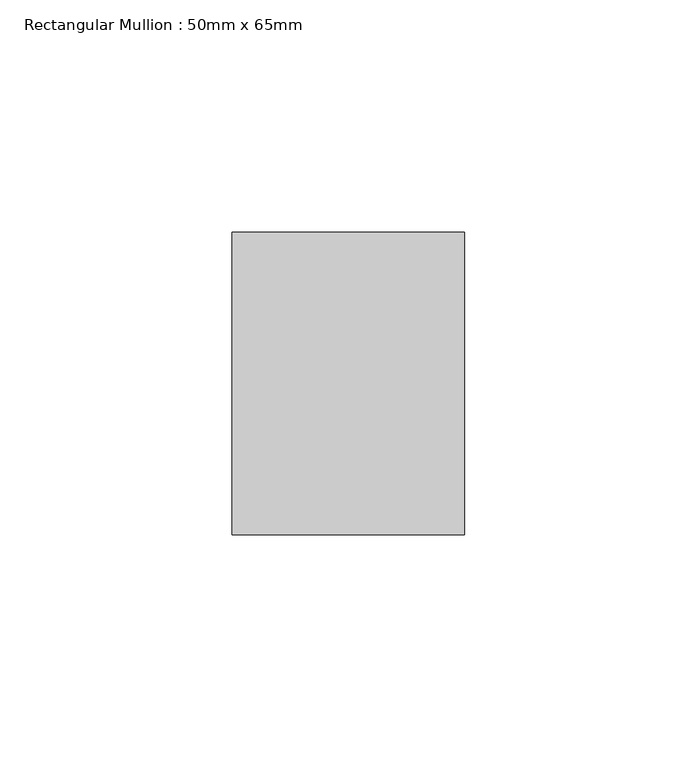
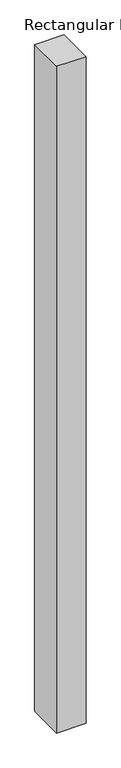
"""IFC4 building model written with IfcOpenShell, lengths in millimetres: member geometry, Rectangular Mullion : 50mm x 65mm."""

from ifc_helpers import new_model, si_unit, frame, origin, place, context, project, spatial, polyline, outline, extrude, source, transform, mapped, element, save


def rectangular_mullion_50mm_x_65mm_b94cafb4(model_context):
    return source(origin(), model_context, "Body", "SweptSolid", [
        extrude(outline(polyline([(25.0, 32.5), (25.0, -32.5), (-25.0, -32.5), (-25.0, 32.5), (25.0, 32.5)])), frame((0.0, 0.0, -1205.1793541), z_axis=(0.0, 0.0, 1.0), x_axis=(1.0, 0.0, 0.0)), (0.0, 0.0, 1.0), 1205.1793541),
    ])


if __name__ == "__main__":
    model = new_model("IFC4")
    model_context = context("Model", 3, world=origin())
    ifc_project = project(units=[si_unit("LENGTHUNIT", "METRE", prefix="MILLI")], contexts=[model_context])
    site = spatial("IfcSite", under=ifc_project)
    building = spatial("IfcBuilding", under=site)
    placement = place(None, origin())
    rectangular_mullion_50mm_x_65mm_shape = rectangular_mullion_50mm_x_65mm_b94cafb4(model_context)
    element("IfcMember", 1, ObjectType="Rectangular Mullion : 50mm x 65mm", at=placement, inside=building, context=model_context, shape_type="MappedRepresentation", body=[
        mapped(rectangular_mullion_50mm_x_65mm_shape, transform((0.0, 0.0, 0.0), x_axis=(1.0, 0.0, 0.0), y_axis=(0.0, 1.0, 0.0), z_axis=(0.0, 0.0, 1.0))),
    ])
    save(model, "model.ifc")
